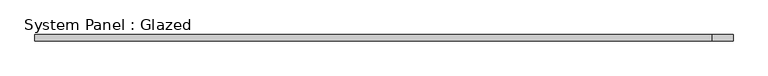
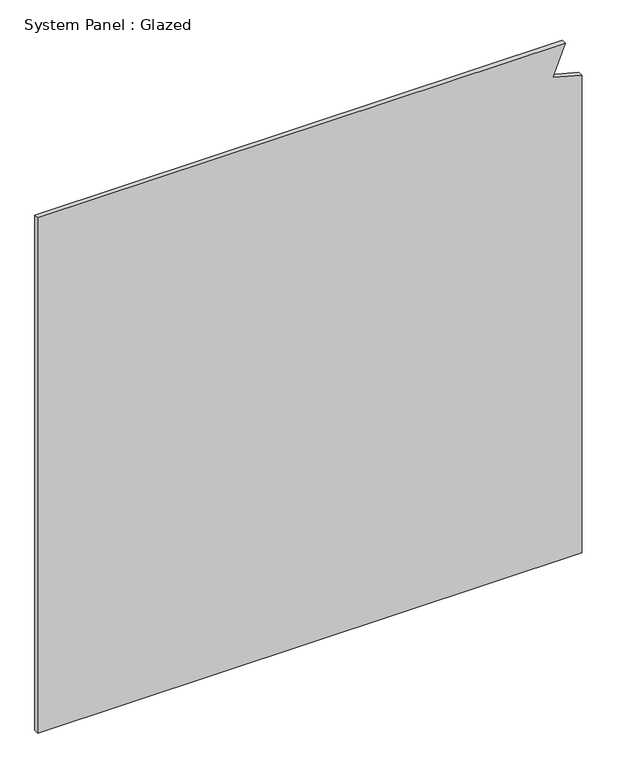
"""IFC4 building model written with IfcOpenShell, lengths in millimetres: plate geometry, System Panel : Glazed."""

from ifc_helpers import new_model, si_unit, frame, origin, place, context, project, spatial, polyline, outline, extrude, source, transform, mapped, element, save


def system_panel_glazed_43b6677d(model_context):
    return source(origin(), model_context, "Body", "SweptSolid", [
        extrude(outline(polyline([(0.0, -1425.0), (0.0, 1425.0), (2642.9740104, 1425.0), (2683.5185434, 1273.6857427), (2850.0, 1338.3905039), (2850.0, -1425.0), (0.0, -1425.0)])), frame((0.0, -2.5, 0.0), z_axis=(0.0, 1.0, 0.0), x_axis=(0.0, 0.0, 1.0)), (0.0, 0.0, 1.0), 25.0),
    ])


if __name__ == "__main__":
    model = new_model("IFC4")
    model_context = context("Model", 3, world=origin())
    ifc_project = project(units=[si_unit("LENGTHUNIT", "METRE", prefix="MILLI")], contexts=[model_context])
    site = spatial("IfcSite", under=ifc_project)
    building = spatial("IfcBuilding", under=site)
    placement = place(None, origin())
    system_panel_glazed_shape = system_panel_glazed_43b6677d(model_context)
    element("IfcPlate", 1, ObjectType="System Panel : Glazed", at=placement, inside=building, context=model_context, shape_type="MappedRepresentation", body=[
        mapped(system_panel_glazed_shape, transform((0.0, 0.0, 0.0), x_axis=(1.0, 0.0, 0.0), y_axis=(0.0, 1.0, 0.0), z_axis=(0.0, 0.0, 1.0))),
    ])
    save(model, "model.ifc")
